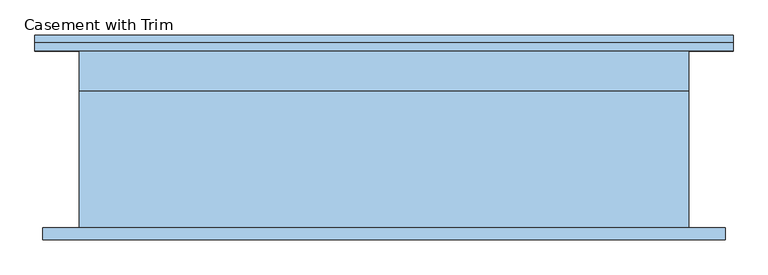
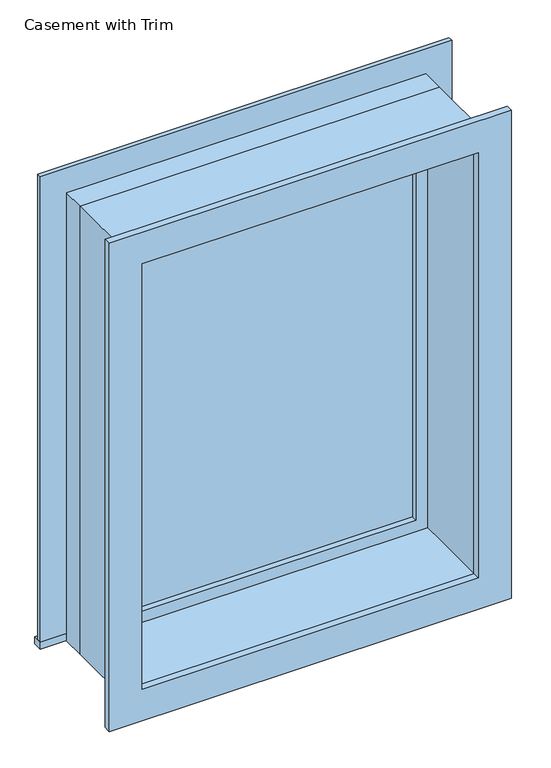
"""IFC4 building model written with IfcOpenShell, lengths in millimetres: window geometry, Casement with Trim."""

import ifcopenshell
import ifcopenshell.guid

model = None  # the IFC model being written
_history = None  # IfcOwnerHistory: only IFC2X3 demands one
_inside = {}  # id of a spatial element -> (the spatial element, [elements in it])
_under = {}  # id of a project, library or spatial element -> (it, [spatial elements below it])
_declared = {}  # id of a project -> (the project, [libraries it declares])
_typed = {}  # id of a type object -> (the type object, [elements of that type])
_made_of = {}  # id of a material, layer set ... -> (it, [elements and type objects made of it])


def new_model(schema):
    """Start an empty IFC model of exactly this schema.

    Asked for "IFC4X3", IfcOpenShell would pick the latest addendum, in which some entities
    have other attributes; the version numbers below select the first issue.
    IFC2X3 requires an IfcOwnerHistory on every rooted entity: one is made here for all.
    """
    global model, _history
    if schema == "IFC4X3":
        model = ifcopenshell.file(schema_version=(4, 3, 0, 0))
    else:
        model = ifcopenshell.file(schema=schema)
    _inside.clear()
    _under.clear()
    _declared.clear()
    _typed.clear()
    _made_of.clear()
    _history = None
    if model.schema == "IFC2X3":
        org = make("IfcOrganization", Name="unknown")
        user = make(
            "IfcPersonAndOrganization",
            ThePerson=make("IfcPerson", FamilyName="unknown"),
            TheOrganization=org,
        )
        app = make(
            "IfcApplication",
            ApplicationDeveloper=org,
            Version="unknown",
            ApplicationFullName="unknown",
            ApplicationIdentifier="unknown",
        )
        _history = make(
            "IfcOwnerHistory",
            OwningUser=user,
            OwningApplication=app,
            ChangeAction="ADDED",
            CreationDate=0,
        )
    return model


def make(cls, **values):
    """One entity of the class cls with the attributes given. An attribute that is None is left unset."""
    return model.create_entity(
        cls, **{name: value for name, value in values.items() if value is not None}
    )


def rooted(cls, **values):
    """An entity with a GlobalId (a new one), such as an element, a storey or a relation."""
    return make(cls, GlobalId=ifcopenshell.guid.new(), OwnerHistory=_history, **values)


def si_unit(unit_type, name, prefix=None):
    """IfcSIUnit, for example si_unit("LENGTHUNIT", "METRE", prefix="MILLI")."""
    return make("IfcSIUnit", UnitType=unit_type, Prefix=prefix, Name=name)


def assignment(units):
    """IfcUnitAssignment: the units of a project."""
    return None if units is None else make("IfcUnitAssignment", Units=units)


def point(xyz):
    """IfcCartesianPoint."""
    return None if xyz is None else make("IfcCartesianPoint", Coordinates=xyz)


def direction(xyz):
    """IfcDirection."""
    return None if xyz is None else make("IfcDirection", DirectionRatios=xyz)


def frame(location, z_axis=None, x_axis=None):
    """IfcAxis2Placement3D, a coordinate frame: its origin and axes. An axis left out is left unset."""
    return make(
        "IfcAxis2Placement3D",
        Location=point(location),
        Axis=direction(z_axis),
        RefDirection=direction(x_axis),
    )


def origin():
    """The frame at (0, 0, 0) with its axes left unset."""
    return frame((0.0, 0.0, 0.0))


def place(relative_to, where):
    """IfcLocalPlacement: puts the frame where relative to a parent placement (None: the world)."""
    return make(
        "IfcLocalPlacement", PlacementRelTo=relative_to, RelativePlacement=where
    )


def context(
    kind, dimensions, precision=None, world=None, true_north=None, identifier=None
):
    """IfcGeometricRepresentationContext, for example the 3D "Model" context."""
    return make(
        "IfcGeometricRepresentationContext",
        ContextIdentifier=identifier,
        ContextType=kind,
        CoordinateSpaceDimension=dimensions,
        Precision=precision,
        WorldCoordinateSystem=world,
        TrueNorth=true_north,
    )


def project(units=None, contexts=None):
    """IfcProject with its units and contexts."""
    return rooted(
        "IfcProject",
        Name="project",
        RepresentationContexts=contexts,
        UnitsInContext=assignment(units),
    )


def spatial(cls, under=None, at=None, **own):
    """A site, building, storey or space (cls), placed at a placement, below another one or the project."""
    s = rooted(cls, ObjectPlacement=at, **own)
    if under is not None:
        _under.setdefault(under.id(), (under, []))[1].append(s)
    return s


def polyline(points):
    """IfcPolyline through the points."""
    return make("IfcPolyline", Points=[point(p) for p in points])


def outline(outer, holes=None, kind="AREA"):
    """IfcArbitraryClosedProfileDef: a profile drawn as a closed curve; with holes, ...WithVoids."""
    if holes is None:
        return make("IfcArbitraryClosedProfileDef", ProfileType=kind, OuterCurve=outer)
    return make(
        "IfcArbitraryProfileDefWithVoids",
        ProfileType=kind,
        OuterCurve=outer,
        InnerCurves=holes,
    )


def extrude(swept, where, along, depth):
    """IfcExtrudedAreaSolid: the profile swept, set in the frame where, extruded along a direction by depth."""
    return make(
        "IfcExtrudedAreaSolid",
        SweptArea=swept,
        Position=where,
        ExtrudedDirection=direction(along),
        Depth=depth,
    )


def shape(context_of_items, identifier, shape_type, items):
    """IfcShapeRepresentation: the items that make up one representation, for example the "Body"."""
    return make(
        "IfcShapeRepresentation",
        ContextOfItems=context_of_items,
        RepresentationIdentifier=identifier,
        RepresentationType=shape_type,
        Items=items,
    )


def source(mapping_origin, context_of_items, identifier, shape_type, items):
    """IfcRepresentationMap: a shape defined once, which mapped items show again and again."""
    return make(
        "IfcRepresentationMap",
        MappingOrigin=mapping_origin,
        MappedRepresentation=shape(context_of_items, identifier, shape_type, items),
    )


def transform(
    local_origin,
    x_axis=None,
    y_axis=None,
    z_axis=None,
    scale=None,
    scale2=None,
    scale3=None,
    uniform=True,
):
    """IfcCartesianTransformationOperator3D, or its non-uniform kind. x_axis, y_axis, z_axis: its Axis1, 2, 3."""
    if uniform:
        return make(
            "IfcCartesianTransformationOperator3D",
            Axis1=direction(x_axis),
            Axis2=direction(y_axis),
            LocalOrigin=point(local_origin),
            Scale=scale,
            Axis3=direction(z_axis),
        )
    return make(
        "IfcCartesianTransformationOperator3DnonUniform",
        Axis1=direction(x_axis),
        Axis2=direction(y_axis),
        LocalOrigin=point(local_origin),
        Scale=scale,
        Axis3=direction(z_axis),
        Scale2=scale2,
        Scale3=scale3,
    )


def mapped(mapping_source, mapping_target):
    """IfcMappedItem: shows the shape of a source again, moved by a transform."""
    return make(
        "IfcMappedItem", MappingSource=mapping_source, MappingTarget=mapping_target
    )


def made_of(thing, what):
    """Note that an element or type object is made of a material, layer set ...; save() writes the relation."""
    if what is not None:
        _made_of.setdefault(what.id(), (what, []))[1].append(thing)
    return thing


def element(
    cls,
    number,
    at=None,
    inside=None,
    cuts=None,
    type_object=None,
    material=None,
    context=None,
    identifier="Body",
    shape_type=None,
    held_by="IfcProductDefinitionShape",
    body=None,
    shapes=None,
    **own,
):
    """One element of the class cls, such as IfcWall. Its Tag is "e" and its number.

    at: its placement. inside: the storey or other place that contains it. cuts: it is an
    opening in that element (IfcRelVoidsElement). A single representation is given by context,
    identifier, shape_type and body (its items); several are given by shapes. held_by: the class
    of the entity that holds the representations. save() writes the other relations.
    """
    e = rooted(cls, Tag="e%d" % number, ObjectPlacement=at, **own)
    if body is not None:
        shapes = [shape(context, identifier, shape_type, body)]
    if shapes is not None:
        e.Representation = make(held_by, Representations=shapes)
    if inside is not None:
        _inside.setdefault(inside.id(), (inside, []))[1].append(e)
    if cuts is not None:
        rooted(
            "IfcRelVoidsElement", RelatingBuildingElement=cuts, RelatedOpeningElement=e
        )
    if type_object is not None:
        _typed.setdefault(type_object.id(), (type_object, []))[1].append(e)
    return made_of(e, material)


def aggregate(whole, parts):
    """IfcRelAggregates: a whole, such as a stair, and the parts it consists of."""
    return rooted("IfcRelAggregates", RelatingObject=whole, RelatedObjects=parts)


def save(model, path):
    """Write the relations noted so far, then the file.

    IfcRelAggregates (storeys below a building ...), IfcRelContainedInSpatialStructure (elements
    in a storey), IfcRelDefinesByType, IfcRelAssociatesMaterial and IfcRelDeclares: one each for
    every whole, place, type object, material and project.
    """
    for whole, parts in _under.values():
        aggregate(whole, parts)
    for where, things in _inside.values():
        rooted(
            "IfcRelContainedInSpatialStructure",
            RelatedElements=things,
            RelatingStructure=where,
        )
    for kind, things in _typed.values():
        rooted("IfcRelDefinesByType", RelatedObjects=things, RelatingType=kind)
    for what, things in _made_of.values():
        rooted("IfcRelAssociatesMaterial", RelatedObjects=things, RelatingMaterial=what)
    for by, libraries in _declared.values():
        rooted("IfcRelDeclares", RelatingContext=by, RelatedDefinitions=libraries)
    model.write(path)


def casement_with_trim_221bb8f7(model_context):
    return source(origin(), model_context, "Body", "SweptSolid", [
        extrude(outline(polyline([(-552.45, 165.1), (552.45, 165.1), (552.45, 139.7), (-552.45, 139.7), (-552.45, 165.1)])), frame((0.0, 0.0, 609.6), z_axis=(0.0, 0.0, 1.0), x_axis=(1.0, 0.0, 0.0)), (0.0, 0.0, 1.0), 19.05),
        extrude(outline(polyline([(1860.55, -463.55), (1860.55, 463.55), (628.65, 463.55), (628.65, 552.45), (1949.45, 552.45), (1949.45, -552.45), (628.65, -552.45), (628.65, -463.55), (1860.55, -463.55)])), frame((0.0, 139.7, 0.0), z_axis=(0.0, 1.0, 0.0), x_axis=(0.0, 0.0, 1.0)), (0.0, 0.0, 1.0), 12.7),
        extrude(outline(polyline([(1936.75, 539.75), (1936.75, -539.75), (552.45, -539.75), (552.45, 539.75), (1936.75, 539.75)]), holes=[polyline([(1847.85, 450.85), (641.35, 450.85), (641.35, -450.85), (1847.85, -450.85), (1847.85, 450.85)])]), frame((0.0, -158.75, 0.0), z_axis=(0.0, 1.0, 0.0), x_axis=(0.0, 0.0, 1.0)), (0.0, 0.0, 1.0), 19.05),
        extrude(outline(polyline([(419.1, 92.075), (-419.1, 92.075), (-419.1, 104.775), (419.1, 104.775), (419.1, 92.075)])), frame((0.0, 0.0, 673.1), z_axis=(0.0, 0.0, 1.0), x_axis=(1.0, 0.0, 0.0)), (0.0, 0.0, 1.0), 1143.0),
        extrude(outline(polyline([(1860.55, -463.55), (628.65, -463.55), (628.65, 463.55), (1860.55, 463.55), (1860.55, -463.55)]), holes=[polyline([(1816.1, -419.1), (1816.1, 419.1), (673.1, 419.1), (673.1, -419.1), (1816.1, -419.1)])]), frame((0.0, 76.2, 0.0), z_axis=(0.0, 1.0, 0.0), x_axis=(0.0, 0.0, 1.0)), (0.0, 0.0, 1.0), 44.45),
        extrude(outline(polyline([(1879.6, -482.6), (609.6, -482.6), (609.6, 482.6), (1879.6, 482.6), (1879.6, -482.6)]), holes=[polyline([(1847.85, -450.85), (1847.85, 450.85), (641.35, 450.85), (641.35, -450.85), (1847.85, -450.85)])]), frame((0.0, -139.7, 0.0), z_axis=(0.0, 1.0, 0.0), x_axis=(0.0, 0.0, 1.0)), (0.0, 0.0, 1.0), 215.9),
        extrude(outline(polyline([(1879.6, 482.6), (1879.6, -482.6), (609.6, -482.6), (609.6, 482.6), (1879.6, 482.6)]), holes=[polyline([(1860.55, 463.55), (628.65, 463.55), (628.65, -463.55), (1860.55, -463.55), (1860.55, 463.55)])]), frame((0.0, 76.2, 0.0), z_axis=(0.0, 1.0, 0.0), x_axis=(0.0, 0.0, 1.0)), (0.0, 0.0, 1.0), 63.5),
    ])


if __name__ == "__main__":
    model = new_model("IFC4")
    model_context = context("Model", 3, world=origin())
    ifc_project = project(units=[si_unit("LENGTHUNIT", "METRE", prefix="MILLI")], contexts=[model_context])
    site = spatial("IfcSite", under=ifc_project)
    building = spatial("IfcBuilding", under=site)
    placement = place(None, origin())
    casement_with_trim_shape = casement_with_trim_221bb8f7(model_context)
    element("IfcWindow", 1, ObjectType="Casement with Trim", at=placement, inside=building, context=model_context, shape_type="MappedRepresentation", body=[
        mapped(casement_with_trim_shape, transform((0.0, 0.0, 0.0), x_axis=(1.0, 0.0, 0.0), y_axis=(0.0, 1.0, 0.0), z_axis=(0.0, 0.0, 1.0))),
    ])
    save(model, "model.ifc")
